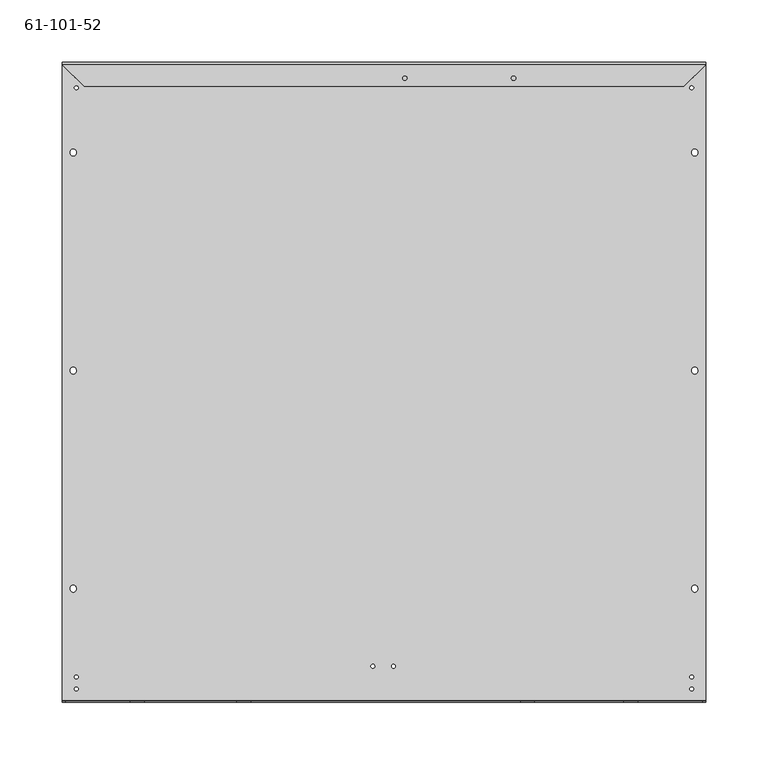
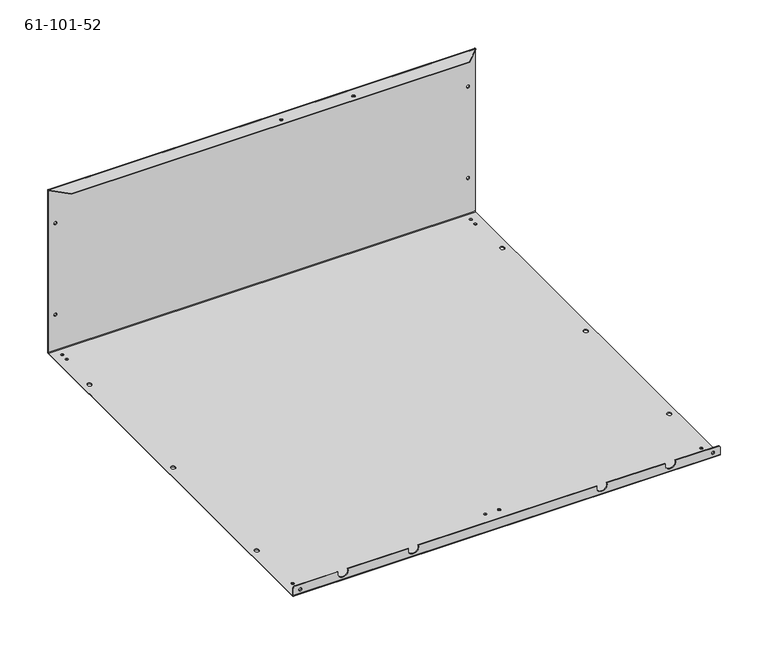
"""IFC4 building model written with IfcOpenShell, lengths in millimetres: proxy geometry, 61-101-52."""

from ifc_helpers import new_model, si_unit, frame, origin, place, context, project, spatial, polyline, circle_curve, source, transform, mapped, element, save
from ifc_brep_helpers import plane_surface, cylinder_surface, revolved_surface, advanced_brep


def proxy_61_101_52_6b01e763(model_context):
    return source(origin(), model_context, "Body", "AdvancedBrep", [
        advanced_brep(
        [(137.4521, 7.8994873, 200.025), (137.4521, 8.7529273, 200.025), (133.1087, 8.7529273, 200.025), (133.1087, 7.8994873, 200.025), (156.5021, 7.8994873, 200.025), (156.5021, 8.7529273, 200.025), (152.1587, 8.7529273, 200.025), (152.1587, 7.8994873, 200.025), (9.5885, -11.5670727, 0.85344), (9.5885, -11.5670727, 0.0), (12.6365, -11.5670727, 0.0), (12.6365, -11.5670727, 0.85344), (9.5885, -2.0420727, 0.85344), (9.5885, -2.0420727, 0.0), (12.6365, -2.0420727, 0.0), (12.6365, -2.0420727, 0.85344), (502.5136, -2.0471527, 0.85344), (502.5136, -2.0471527, 0.0), (505.5616, -2.0471527, 0.0), (505.5616, -2.0471527, 0.85344), (502.5136, -11.5721527, 0.85344), (502.5136, -11.5721527, 0.0), (505.5616, -11.5721527, 0.0), (505.5616, -11.5721527, 0.85344), (508.2159, 7.8994873, 163.63442), (508.2159, 8.7529273, 163.63442), (504.7869, 8.7529273, 163.63442), (504.7869, 7.8994873, 163.63442), (10.38606, 7.8994873, 46.7603532), (10.38606, 8.7529273, 46.7603532), (6.95706, 8.7529273, 46.7603532), (6.95706, 7.8994873, 46.7603532), (10.38606, 7.8994873, 163.6329268), (10.38606, 8.7529273, 163.6329268), (6.95706, 8.7529273, 163.6329268), (6.95706, 7.8994873, 163.6329268), (508.2159, 7.8994873, 46.76648), (508.2159, 8.7529273, 46.76648), (504.7869, 8.7529273, 46.76648), (504.7869, 7.8994873, 46.76648), (422.9847068, 7.8994873, 200.025), (422.9847068, 8.7529273, 200.025), (418.6413068, 8.7529273, 200.025), (418.6413068, 7.8994873, 200.025), (442.0347068, 7.8994873, 200.025), (442.0347068, 8.7529273, 200.025), (437.6913068, 8.7529273, 200.025), (437.6913068, 7.8994873, 200.025), (508.2159, -503.0172327, 6.45668), (508.2159, -503.8706727, 6.45668), (504.7869, -503.8706727, 6.45668), (504.7869, -503.0172327, 6.45668), (363.0803, -3.8454727, 208.69656), (363.0803, -3.8454727, 209.55), (359.6513, -3.8454727, 209.55), (359.6513, -3.8454727, 208.69656), (276.0345, -3.8454727, 208.69656), (276.0345, -3.8454727, 209.55), (272.6055, -3.8454727, 209.55), (272.6055, -3.8454727, 208.69656), (247.1288, -474.8587927, 0.85344), (247.1288, -474.8587927, 0.0), (248.7075285, -473.3357757, 0.0), (250.1768, -474.8587927, 0.0), (250.1768, -474.8587927, 0.85344), (248.7075285, -473.3357757, 0.85344), (263.6388, -474.870677, 0.85344), (263.6388, -474.870677, 0.0), (265.2224223, -473.3478438, 0.0), (266.6868, -474.870677, 0.0), (266.6868, -474.870677, 0.85344), (265.2224223, -473.3478438, 0.85344), (10.3759, -503.0172327, 6.4516), (10.3759, -503.8706727, 6.4516), (6.9469, -503.8706727, 6.4516), (6.9469, -503.0172327, 6.4516), (9.5885, -493.0756727, 0.85344), (9.5885, -493.0756727, 0.0), (12.6365, -493.0756727, 0.0), (12.6365, -493.0756727, 0.85344), (502.5136, -483.5506727, 0.85344), (502.5136, -483.5506727, 0.0), (505.5616, -483.5506727, 0.0), (505.5616, -483.5506727, 0.85344), (9.5885, -483.5506727, 0.85344), (9.5885, -483.5506727, 0.0), (12.6365, -483.5506727, 0.0), (12.6365, -483.5506727, 0.85344), (502.5136, -493.0756727, 0.85344), (502.5136, -493.0756727, 0.0), (505.5616, -493.0756727, 0.0), (505.5616, -493.0756727, 0.85344), (515.1628, 7.0460473, 0.0), (515.1628, -502.1637927, 0.0), (0.0, -502.1637927, 0.0), (0.0, 7.0460473, 0.0), (6.3280232, -413.0809548, 0.0), (11.0009114, -413.1625204, 0.0), (11.0150968, -412.3498442, 0.0), (6.3422086, -412.2682786, 0.0), (6.3422086, -62.960305, 0.0), (6.3280232, -63.7729812, 0.0), (11.0009114, -63.8545468, 0.0), (11.0150968, -63.0418706, 0.0), (504.1477032, -238.426968, 0.0), (508.8205914, -238.5085336, 0.0), (508.8347768, -237.6958574, 0.0), (504.1618886, -237.6142918, 0.0), (508.8205914, -413.1625204, 0.0), (508.8347768, -412.3498442, 0.0), (504.1618886, -412.2682786, 0.0), (504.1477032, -413.0809548, 0.0), (6.3280232, -238.426968, 0.0), (11.0009114, -238.5085336, 0.0), (11.0150968, -237.6958574, 0.0), (6.3422086, -237.6142918, 0.0), (508.8205914, -63.8545468, 0.0), (508.8347768, -63.0418706, 0.0), (504.1618886, -62.960305, 0.0), (504.1477032, -63.7729812, 0.0), (515.1628, -502.1637927, 0.85344), (515.1628, 7.0460473, 0.85344), (0.0, 7.0460473, 0.85344), (0.0, -502.1637927, 0.85344), (11.0009114, -413.1625204, 0.85344), (6.3280232, -413.0809548, 0.85344), (6.3422086, -412.2682786, 0.85344), (11.0150968, -412.3498442, 0.85344), (6.3280232, -63.7729812, 0.85344), (6.3422086, -62.960305, 0.85344), (11.0150968, -63.0418706, 0.85344), (11.0009114, -63.8545468, 0.85344), (508.8205914, -238.5085336, 0.85344), (504.1477032, -238.426968, 0.85344), (504.1618886, -237.6142918, 0.85344), (508.8347768, -237.6958574, 0.85344), (508.8347768, -412.3498442, 0.85344), (508.8205914, -413.1625204, 0.85344), (504.1477032, -413.0809548, 0.85344), (504.1618886, -412.2682786, 0.85344), (11.0009114, -238.5085336, 0.85344), (6.3280232, -238.426968, 0.85344), (6.3422086, -237.6142918, 0.85344), (11.0150968, -237.6958574, 0.85344), (508.8347768, -63.0418706, 0.85344), (508.8205914, -63.8545468, 0.85344), (504.1477032, -63.7729812, 0.85344), (504.1618886, -62.960305, 0.85344), (151.0751663, -503.8706727, 12.7), (151.0751663, -503.0172327, 12.7), (139.0848337, -503.0172327, 12.7), (139.0848337, -503.8706727, 12.7), (65.9951663, -503.8706727, 12.7), (65.9951663, -503.0172327, 12.7), (54.0048337, -503.0172327, 12.7), (54.0048337, -503.8706727, 12.7), (378.5151663, -503.8706727, 12.7), (378.5151663, -503.0172327, 12.7), (366.5248337, -503.0172327, 12.7), (366.5248337, -503.8706727, 12.7), (449.0748337, -503.0172327, 12.7), (449.0748337, -503.8706727, 12.7), (461.0651663, -503.8706727, 12.7), (461.0651663, -503.0172327, 12.7), (2.54, -503.8706727, 12.7), (0.0, -503.8706727, 10.16), (0.0, -503.8706727, 1.70688), (515.1628, -503.8706727, 1.70688), (515.1628, -503.8706727, 10.16), (512.6228, -503.8706727, 12.7), (512.6228, -503.0172327, 12.7), (2.54, -503.0172327, 12.7), (0.0, -503.0172327, 10.16), (515.1628, -503.0172327, 10.16), (0.0, -503.0172327, 1.70688), (515.1628, -503.0172327, 1.70688), (515.1628, 7.0460473, 209.55), (497.81968, -10.2970727, 209.55), (497.81968, -10.2970727, 208.69656), (515.1628, 7.0460473, 208.69656), (17.34312, -10.2970727, 208.69656), (0.0, 7.0460473, 208.69656), (0.0, 7.0460473, 209.55), (17.34312, -10.2970727, 209.55), (515.1628, 8.7529273, 1.70688), (515.1628, 8.7529273, 207.84312), (515.1628, 7.8994873, 207.84312), (515.1628, 7.8994873, 1.70688), (0.0, 7.8994873, 207.84312), (0.0, 8.7529273, 207.84312), (0.0, 8.7529273, 1.70688), (0.0, 7.8994873, 1.70688)],
        [
            (0, 1),
            (1, 2, circle_curve(frame((135.2804, 8.7529273, 200.025), z_axis=(0.0, 1.0, 0.0), x_axis=(1.0, 0.0, 0.0)), 2.1717)),
            (2, 3),
            (3, 0, circle_curve(frame((135.2804, 7.8994873, 200.025), z_axis=(0.0, -1.0, 0.0), x_axis=(1.0, 0.0, 0.0)), 2.1717)),
            (4, 5),
            (5, 6, circle_curve(frame((154.3304, 8.7529273, 200.025), z_axis=(0.0, 1.0, 0.0), x_axis=(1.0, 0.0, 0.0)), 2.1717)),
            (6, 7),
            (7, 4, circle_curve(frame((154.3304, 7.8994873, 200.025), z_axis=(0.0, -1.0, 0.0), x_axis=(1.0, 0.0, 0.0)), 2.1717)),
            (8, 9),
            (9, 10, circle_curve(frame((11.1125, -11.5670727, 0.0), z_axis=(0.0, 0.0, -1.0), x_axis=(-1.0, 0.0, 0.0)), 1.524)),
            (10, 11),
            (11, 8, circle_curve(frame((11.1125, -11.5670727, 0.85344), z_axis=(0.0, 0.0, 1.0), x_axis=(-1.0, 0.0, 0.0)), 1.524)),
            (12, 13),
            (13, 14, circle_curve(frame((11.1125, -2.0420727, 0.0), z_axis=(0.0, 0.0, -1.0), x_axis=(-1.0, 0.0, 0.0)), 1.524)),
            (14, 15),
            (15, 12, circle_curve(frame((11.1125, -2.0420727, 0.85344), z_axis=(0.0, 0.0, 1.0), x_axis=(-1.0, 0.0, 0.0)), 1.524)),
            (16, 17),
            (17, 18, circle_curve(frame((504.0376, -2.0471527, 0.0), z_axis=(0.0, 0.0, -1.0), x_axis=(-1.0, 0.0, 0.0)), 1.524)),
            (18, 19),
            (19, 16, circle_curve(frame((504.0376, -2.0471527, 0.85344), z_axis=(0.0, 0.0, 1.0), x_axis=(-1.0, 0.0, 0.0)), 1.524)),
            (20, 21),
            (21, 22, circle_curve(frame((504.0376, -11.5721527, 0.0), z_axis=(0.0, 0.0, -1.0), x_axis=(-1.0, 0.0, 0.0)), 1.524)),
            (22, 23),
            (23, 20, circle_curve(frame((504.0376, -11.5721527, 0.85344), z_axis=(0.0, 0.0, 1.0), x_axis=(-1.0, 0.0, 0.0)), 1.524)),
            (24, 25),
            (25, 26, circle_curve(frame((506.5014, 8.7529273, 163.63442), z_axis=(0.0, 1.0, 0.0), x_axis=(1.0, 0.0, 0.0)), 1.7145)),
            (26, 27),
            (27, 24, circle_curve(frame((506.5014, 7.8994873, 163.63442), z_axis=(0.0, -1.0, 0.0), x_axis=(1.0, 0.0, 0.0)), 1.7145)),
            (28, 29),
            (29, 30, circle_curve(frame((8.67156, 8.7529273, 46.7603532), z_axis=(0.0, 1.0, 0.0), x_axis=(1.0, 0.0, 0.0)), 1.7145)),
            (30, 31),
            (31, 28, circle_curve(frame((8.67156, 7.8994873, 46.7603532), z_axis=(0.0, -1.0, 0.0), x_axis=(1.0, 0.0, 0.0)), 1.7145)),
            (32, 33),
            (33, 34, circle_curve(frame((8.67156, 8.7529273, 163.6329268), z_axis=(0.0, 1.0, 0.0), x_axis=(1.0, 0.0, 0.0)), 1.7145)),
            (34, 35),
            (35, 32, circle_curve(frame((8.67156, 7.8994873, 163.6329268), z_axis=(0.0, -1.0, 0.0), x_axis=(1.0, 0.0, 0.0)), 1.7145)),
            (36, 37),
            (37, 38, circle_curve(frame((506.5014, 8.7529273, 46.76648), z_axis=(0.0, 1.0, 0.0), x_axis=(1.0, 0.0, 0.0)), 1.7145)),
            (38, 39),
            (39, 36, circle_curve(frame((506.5014, 7.8994873, 46.76648), z_axis=(0.0, -1.0, 0.0), x_axis=(1.0, 0.0, 0.0)), 1.7145)),
            (40, 41),
            (41, 42, circle_curve(frame((420.8130068, 8.7529273, 200.025), z_axis=(0.0, 1.0, 0.0), x_axis=(1.0, 0.0, 0.0)), 2.1717)),
            (42, 43),
            (43, 40, circle_curve(frame((420.8130068, 7.8994873, 200.025), z_axis=(0.0, -1.0, 0.0), x_axis=(1.0, 0.0, 0.0)), 2.1717)),
            (44, 45),
            (45, 46, circle_curve(frame((439.8630068, 8.7529273, 200.025), z_axis=(0.0, 1.0, 0.0), x_axis=(1.0, 0.0, 0.0)), 2.1717)),
            (46, 47),
            (47, 44, circle_curve(frame((439.8630068, 7.8994873, 200.025), z_axis=(0.0, -1.0, 0.0), x_axis=(1.0, 0.0, 0.0)), 2.1717)),
            (48, 49),
            (49, 50, circle_curve(frame((506.5014, -503.8706727, 6.45668), z_axis=(0.0, -1.0, 0.0), x_axis=(1.0, 0.0, 0.0)), 1.7145)),
            (50, 51),
            (51, 48, circle_curve(frame((506.5014, -503.0172327, 6.45668), z_axis=(0.0, 1.0, 0.0), x_axis=(1.0, 0.0, 0.0)), 1.7145)),
            (52, 53),
            (53, 54, circle_curve(frame((361.3658, -3.8454727, 209.55), z_axis=(0.0, 0.0, 1.0), x_axis=(1.0, 0.0, 0.0)), 1.7145)),
            (54, 55),
            (55, 52, circle_curve(frame((361.3658, -3.8454727, 208.69656), z_axis=(0.0, 0.0, -1.0), x_axis=(1.0, 0.0, 0.0)), 1.7145)),
            (56, 57),
            (57, 58, circle_curve(frame((274.32, -3.8454727, 209.55), z_axis=(0.0, 0.0, 1.0), x_axis=(1.0, 0.0, 0.0)), 1.7145)),
            (58, 59),
            (59, 56, circle_curve(frame((274.32, -3.8454727, 208.69656), z_axis=(0.0, 0.0, -1.0), x_axis=(1.0, 0.0, 0.0)), 1.7145)),
            (60, 61),
            (61, 62, circle_curve(frame((248.6528, -474.8587927, 0.0), z_axis=(0.0, 0.0, -1.0), x_axis=(-1.0, 0.0, 0.0)), 1.524)),
            (62, 63, circle_curve(frame((248.6528, -474.8587927, 0.0), z_axis=(0.0, 0.0, -1.0), x_axis=(-1.0, 0.0, 0.0)), 1.524)),
            (63, 64),
            (64, 65, circle_curve(frame((248.6528, -474.8587927, 0.85344), z_axis=(0.0, 0.0, 1.0), x_axis=(-1.0, 0.0, 0.0)), 1.524)),
            (65, 60, circle_curve(frame((248.6528, -474.8587927, 0.85344), z_axis=(0.0, 0.0, 1.0), x_axis=(-1.0, 0.0, 0.0)), 1.524)),
            (66, 67),
            (67, 68, circle_curve(frame((265.1628, -474.870677, 0.0), z_axis=(0.0, 0.0, -1.0), x_axis=(-1.0, 0.0, 0.0)), 1.524)),
            (68, 69, circle_curve(frame((265.1628, -474.870677, 0.0), z_axis=(0.0, 0.0, -1.0), x_axis=(-1.0, 0.0, 0.0)), 1.524)),
            (69, 70),
            (70, 71, circle_curve(frame((265.1628, -474.870677, 0.85344), z_axis=(0.0, 0.0, 1.0), x_axis=(-1.0, 0.0, 0.0)), 1.524)),
            (71, 66, circle_curve(frame((265.1628, -474.870677, 0.85344), z_axis=(0.0, 0.0, 1.0), x_axis=(-1.0, 0.0, 0.0)), 1.524)),
            (72, 73),
            (73, 74, circle_curve(frame((8.6614, -503.8706727, 6.4516), z_axis=(0.0, -1.0, 0.0), x_axis=(1.0, 0.0, 0.0)), 1.7145)),
            (74, 75),
            (75, 72, circle_curve(frame((8.6614, -503.0172327, 6.4516), z_axis=(0.0, 1.0, 0.0), x_axis=(1.0, 0.0, 0.0)), 1.7145)),
            (76, 77),
            (77, 78, circle_curve(frame((11.1125, -493.0756727, 0.0), z_axis=(0.0, 0.0, -1.0), x_axis=(-1.0, 0.0, 0.0)), 1.524)),
            (78, 79),
            (79, 76, circle_curve(frame((11.1125, -493.0756727, 0.85344), z_axis=(0.0, 0.0, 1.0), x_axis=(-1.0, 0.0, 0.0)), 1.524)),
            (80, 81),
            (81, 82, circle_curve(frame((504.0376, -483.5506727, 0.0), z_axis=(0.0, 0.0, -1.0), x_axis=(-1.0, 0.0, 0.0)), 1.524)),
            (82, 83),
            (83, 80, circle_curve(frame((504.0376, -483.5506727, 0.85344), z_axis=(0.0, 0.0, 1.0), x_axis=(-1.0, 0.0, 0.0)), 1.524)),
            (84, 85),
            (85, 86, circle_curve(frame((11.1125, -483.5506727, 0.0), z_axis=(0.0, 0.0, -1.0), x_axis=(-1.0, 0.0, 0.0)), 1.524)),
            (86, 87),
            (87, 84, circle_curve(frame((11.1125, -483.5506727, 0.85344), z_axis=(0.0, 0.0, 1.0), x_axis=(-1.0, 0.0, 0.0)), 1.524)),
            (88, 89),
            (89, 90, circle_curve(frame((504.0376, -493.0756727, 0.0), z_axis=(0.0, 0.0, -1.0), x_axis=(-1.0, 0.0, 0.0)), 1.524)),
            (90, 91),
            (91, 88, circle_curve(frame((504.0376, -493.0756727, 0.85344), z_axis=(0.0, 0.0, 1.0), x_axis=(-1.0, 0.0, 0.0)), 1.524)),
            (92, 93),
            (93, 94),
            (94, 95),
            (95, 92),
            (61, 63, circle_curve(frame((248.6528, -474.8587927, 0.0), z_axis=(0.0, 0.0, 1.0), x_axis=(-1.0, 0.0, 0.0)), 1.524)),
            (67, 69, circle_curve(frame((265.1628, -474.870677, 0.0), z_axis=(0.0, 0.0, 1.0), x_axis=(-1.0, 0.0, 0.0)), 1.524)),
            (89, 90, circle_curve(frame((504.0376, -493.0756727, 0.0), z_axis=(0.0, 0.0, 1.0), x_axis=(-1.0, 0.0, 0.0)), 1.524)),
            (85, 86, circle_curve(frame((11.1125, -483.5506727, 0.0), z_axis=(0.0, 0.0, 1.0), x_axis=(-1.0, 0.0, 0.0)), 1.524)),
            (81, 82, circle_curve(frame((504.0376, -483.5506727, 0.0), z_axis=(0.0, 0.0, 1.0), x_axis=(-1.0, 0.0, 0.0)), 1.524)),
            (77, 78, circle_curve(frame((11.1125, -493.0756727, 0.0), z_axis=(0.0, 0.0, 1.0), x_axis=(-1.0, 0.0, 0.0)), 1.524)),
            (96, 97, circle_curve(frame((8.6644673, -413.1217376, 0.0), z_axis=(0.0, 0.0, 1.0), x_axis=(0.9998476951563917, -0.01745240643725925, 0.0)), 2.3368)),
            (97, 98),
            (98, 99, circle_curve(frame((8.6786527, -412.3090614, 0.0), z_axis=(0.0, 0.0, 1.0), x_axis=(-0.9998476951563917, 0.01745240643725925, 0.0)), 2.3368)),
            (99, 96),
            (100, 101),
            (101, 102, circle_curve(frame((8.6644673, -63.813764, 0.0), z_axis=(0.0, 0.0, 1.0), x_axis=(0.9998476951563916, -0.017452406437266848, 0.0)), 2.3368)),
            (102, 103),
            (103, 100, circle_curve(frame((8.6786527, -63.0010878, 0.0), z_axis=(0.0, 0.0, 1.0), x_axis=(-0.9998476951563916, 0.017452406437266848, 0.0)), 2.3368)),
            (104, 105, circle_curve(frame((506.4841473, -238.4677508, 0.0), z_axis=(0.0, 0.0, 1.0), x_axis=(0.9998476951563915, -0.017452406437274644, 0.0)), 2.3368)),
            (105, 106),
            (106, 107, circle_curve(frame((506.4983327, -237.6550746, 0.0), z_axis=(0.0, 0.0, 1.0), x_axis=(-0.9998476951563917, 0.017452406437259444, 0.0)), 2.3368)),
            (107, 104),
            (108, 109),
            (109, 110, circle_curve(frame((506.4983327, -412.3090614, 0.0), z_axis=(0.0, 0.0, 1.0), x_axis=(-0.9998476951563917, 0.017452406437259444, 0.0)), 2.3368)),
            (110, 111),
            (111, 108, circle_curve(frame((506.4841473, -413.1217376, 0.0), z_axis=(0.0, 0.0, 1.0), x_axis=(0.9998476951563912, -0.017452406437289843, 0.0)), 2.3368)),
            (112, 113, circle_curve(frame((8.6644673, -238.4677508, 0.0), z_axis=(0.0, 0.0, 1.0), x_axis=(0.9998476951563915, -0.017452406437274446, 0.0)), 2.3368)),
            (113, 114),
            (114, 115, circle_curve(frame((8.6786527, -237.6550746, 0.0), z_axis=(0.0, 0.0, 1.0), x_axis=(-0.9998476951563917, 0.01745240643725925, 0.0)), 2.3368)),
            (115, 112),
            (116, 117),
            (117, 118, circle_curve(frame((506.4983327, -63.0010878, 0.0), z_axis=(0.0, 0.0, 1.0), x_axis=(-0.9998476951563916, 0.017452406437267046, 0.0)), 2.3368)),
            (118, 119),
            (119, 116, circle_curve(frame((506.4841473, -63.813764, 0.0), z_axis=(0.0, 0.0, 1.0), x_axis=(0.9998476951563916, -0.017452406437267046, 0.0)), 2.3368)),
            (21, 22, circle_curve(frame((504.0376, -11.5721527, 0.0), z_axis=(0.0, 0.0, 1.0), x_axis=(-1.0, 0.0, 0.0)), 1.524)),
            (17, 18, circle_curve(frame((504.0376, -2.0471527, 0.0), z_axis=(0.0, 0.0, 1.0), x_axis=(-1.0, 0.0, 0.0)), 1.524)),
            (13, 14, circle_curve(frame((11.1125, -2.0420727, 0.0), z_axis=(0.0, 0.0, 1.0), x_axis=(-1.0, 0.0, 0.0)), 1.524)),
            (9, 10, circle_curve(frame((11.1125, -11.5670727, 0.0), z_axis=(0.0, 0.0, 1.0), x_axis=(-1.0, 0.0, 0.0)), 1.524)),
            (120, 121),
            (121, 122),
            (122, 123),
            (123, 120),
            (11, 8, circle_curve(frame((11.1125, -11.5670727, 0.85344), z_axis=(0.0, 0.0, -1.0), x_axis=(-1.0, 0.0, 0.0)), 1.524)),
            (15, 12, circle_curve(frame((11.1125, -2.0420727, 0.85344), z_axis=(0.0, 0.0, -1.0), x_axis=(-1.0, 0.0, 0.0)), 1.524)),
            (19, 16, circle_curve(frame((504.0376, -2.0471527, 0.85344), z_axis=(0.0, 0.0, -1.0), x_axis=(-1.0, 0.0, 0.0)), 1.524)),
            (23, 20, circle_curve(frame((504.0376, -11.5721527, 0.85344), z_axis=(0.0, 0.0, -1.0), x_axis=(-1.0, 0.0, 0.0)), 1.524)),
            (64, 60, circle_curve(frame((248.6528, -474.8587927, 0.85344), z_axis=(0.0, 0.0, -1.0), x_axis=(-1.0, 0.0, 0.0)), 1.524)),
            (70, 66, circle_curve(frame((265.1628, -474.870677, 0.85344), z_axis=(0.0, 0.0, -1.0), x_axis=(-1.0, 0.0, 0.0)), 1.524)),
            (91, 88, circle_curve(frame((504.0376, -493.0756727, 0.85344), z_axis=(0.0, 0.0, -1.0), x_axis=(-1.0, 0.0, 0.0)), 1.524)),
            (87, 84, circle_curve(frame((11.1125, -483.5506727, 0.85344), z_axis=(0.0, 0.0, -1.0), x_axis=(-1.0, 0.0, 0.0)), 1.524)),
            (83, 80, circle_curve(frame((504.0376, -483.5506727, 0.85344), z_axis=(0.0, 0.0, -1.0), x_axis=(-1.0, 0.0, 0.0)), 1.524)),
            (79, 76, circle_curve(frame((11.1125, -493.0756727, 0.85344), z_axis=(0.0, 0.0, -1.0), x_axis=(-1.0, 0.0, 0.0)), 1.524)),
            (124, 125, circle_curve(frame((8.6644673, -413.1217376, 0.85344), z_axis=(0.0, 0.0, -1.0), x_axis=(0.9998476951563917, -0.01745240643725925, 0.0)), 2.3368)),
            (125, 126),
            (126, 127, circle_curve(frame((8.6786527, -412.3090614, 0.85344), z_axis=(0.0, 0.0, -1.0), x_axis=(-0.9998476951563917, 0.01745240643725925, 0.0)), 2.3368)),
            (127, 124),
            (128, 129),
            (129, 130, circle_curve(frame((8.6786527, -63.0010878, 0.85344), z_axis=(0.0, 0.0, -1.0), x_axis=(-0.9998476951563916, 0.017452406437266848, 0.0)), 2.3368)),
            (130, 131),
            (131, 128, circle_curve(frame((8.6644673, -63.813764, 0.85344), z_axis=(0.0, 0.0, -1.0), x_axis=(0.9998476951563916, -0.017452406437266848, 0.0)), 2.3368)),
            (132, 133, circle_curve(frame((506.4841473, -238.4677508, 0.85344), z_axis=(0.0, 0.0, -1.0), x_axis=(0.9998476951563915, -0.017452406437274644, 0.0)), 2.3368)),
            (133, 134),
            (134, 135, circle_curve(frame((506.4983327, -237.6550746, 0.85344), z_axis=(0.0, 0.0, -1.0), x_axis=(-0.9998476951563917, 0.017452406437259444, 0.0)), 2.3368)),
            (135, 132),
            (136, 137),
            (137, 138, circle_curve(frame((506.4841473, -413.1217376, 0.85344), z_axis=(0.0, 0.0, -1.0), x_axis=(0.9998476951563912, -0.017452406437289843, 0.0)), 2.3368)),
            (138, 139),
            (139, 136, circle_curve(frame((506.4983327, -412.3090614, 0.85344), z_axis=(0.0, 0.0, -1.0), x_axis=(-0.9998476951563917, 0.017452406437259444, 0.0)), 2.3368)),
            (140, 141, circle_curve(frame((8.6644673, -238.4677508, 0.85344), z_axis=(0.0, 0.0, -1.0), x_axis=(0.9998476951563915, -0.017452406437274446, 0.0)), 2.3368)),
            (141, 142),
            (142, 143, circle_curve(frame((8.6786527, -237.6550746, 0.85344), z_axis=(0.0, 0.0, -1.0), x_axis=(-0.9998476951563917, 0.01745240643725925, 0.0)), 2.3368)),
            (143, 140),
            (144, 145),
            (145, 146, circle_curve(frame((506.4841473, -63.813764, 0.85344), z_axis=(0.0, 0.0, -1.0), x_axis=(0.9998476951563916, -0.017452406437267046, 0.0)), 2.3368)),
            (146, 147),
            (147, 144, circle_curve(frame((506.4983327, -63.0010878, 0.85344), z_axis=(0.0, 0.0, -1.0), x_axis=(-0.9998476951563916, 0.017452406437267046, 0.0)), 2.3368)),
            (148, 149),
            (149, 150, circle_curve(frame((145.08, -503.0172327, 10.60704), z_axis=(0.0, 1.0, 0.0), x_axis=(0.0, 0.0, -1.0)), 6.35)),
            (150, 151),
            (151, 148, circle_curve(frame((145.08, -503.8706727, 10.60704), z_axis=(0.0, -1.0, 0.0), x_axis=(0.0, 0.0, -1.0)), 6.35)),
            (152, 153),
            (153, 154, circle_curve(frame((60.0, -503.0172327, 10.60704), z_axis=(0.0, 1.0, 0.0), x_axis=(0.0, 0.0, -1.0)), 6.35)),
            (154, 155),
            (155, 152, circle_curve(frame((60.0, -503.8706727, 10.60704), z_axis=(0.0, -1.0, 0.0), x_axis=(0.0, 0.0, -1.0)), 6.35)),
            (156, 157),
            (157, 158, circle_curve(frame((372.52, -503.0172327, 10.60704), z_axis=(0.0, 1.0, 0.0), x_axis=(0.0, 0.0, -1.0)), 6.35)),
            (158, 159),
            (159, 156, circle_curve(frame((372.52, -503.8706727, 10.60704), z_axis=(0.0, -1.0, 0.0), x_axis=(0.0, 0.0, -1.0)), 6.35)),
            (160, 161),
            (161, 162, circle_curve(frame((455.07, -503.8706727, 10.60704), z_axis=(0.0, -1.0, 0.0), x_axis=(0.0, 0.0, -1.0)), 6.35)),
            (162, 163),
            (163, 160, circle_curve(frame((455.07, -503.0172327, 10.60704), z_axis=(0.0, 1.0, 0.0), x_axis=(0.0, 0.0, -1.0)), 6.35)),
            (151, 152),
            (155, 164),
            (164, 165, circle_curve(frame((2.54, -503.8706727, 10.16), z_axis=(0.0, -1.0, 0.0), x_axis=(-0.7071067811865444, 0.0, 0.7071067811865506)), 2.54)),
            (165, 166),
            (166, 167),
            (167, 168),
            (168, 169, circle_curve(frame((512.6228, -503.8706727, 10.16), z_axis=(0.0, -1.0, 0.0), x_axis=(0.7071067811865543, 0.0, 0.7071067811865408)), 2.54)),
            (169, 162),
            (161, 156),
            (159, 148),
            (49, 50, circle_curve(frame((506.5014, -503.8706727, 6.45668), z_axis=(0.0, 1.0, 0.0), x_axis=(1.0, 0.0, 0.0)), 1.7145)),
            (73, 74, circle_curve(frame((8.6614, -503.8706727, 6.4516), z_axis=(0.0, 1.0, 0.0), x_axis=(1.0, 0.0, 0.0)), 1.7145)),
            (169, 170),
            (170, 163),
            (160, 157),
            (154, 171),
            (171, 164),
            (150, 153),
            (72, 75, circle_curve(frame((8.6614, -503.0172327, 6.4516), z_axis=(0.0, 1.0, 0.0), x_axis=(1.0, 0.0, 0.0)), 1.7145)),
            (171, 172, circle_curve(frame((2.54, -503.0172327, 10.16), z_axis=(0.0, -1.0, 0.0), x_axis=(-0.7071067811865444, 0.0, 0.7071067811865506)), 2.54)),
            (172, 165),
            (158, 149),
            (168, 173),
            (173, 170, circle_curve(frame((512.6228, -503.0172327, 10.16), z_axis=(0.0, -1.0, 0.0), x_axis=(0.7071067811865543, 0.0, 0.7071067811865408)), 2.54)),
            (172, 174),
            (174, 166),
            (173, 175),
            (175, 174),
            (51, 48, circle_curve(frame((506.5014, -503.0172327, 6.45668), z_axis=(0.0, -1.0, 0.0), x_axis=(1.0, 0.0, 0.0)), 1.7145)),
            (124, 97),
            (96, 125),
            (99, 126),
            (98, 127),
            (128, 101),
            (100, 129),
            (131, 102),
            (130, 103),
            (132, 105),
            (104, 133),
            (107, 134),
            (106, 135),
            (136, 109),
            (108, 137),
            (139, 110),
            (138, 111),
            (140, 113),
            (112, 141),
            (115, 142),
            (114, 143),
            (144, 117),
            (116, 145),
            (147, 118),
            (146, 119),
            (56, 59, circle_curve(frame((274.32, -3.8454727, 208.69656), z_axis=(0.0, 0.0, -1.0), x_axis=(1.0, 0.0, 0.0)), 1.7145)),
            (58, 57, circle_curve(frame((274.32, -3.8454727, 209.55), z_axis=(0.0, 0.0, 1.0), x_axis=(1.0, 0.0, 0.0)), 1.7145)),
            (52, 55, circle_curve(frame((361.3658, -3.8454727, 208.69656), z_axis=(0.0, 0.0, -1.0), x_axis=(1.0, 0.0, 0.0)), 1.7145)),
            (54, 53, circle_curve(frame((361.3658, -3.8454727, 209.55), z_axis=(0.0, 0.0, 1.0), x_axis=(1.0, 0.0, 0.0)), 1.7145)),
            (44, 47, circle_curve(frame((439.8630068, 7.8994873, 200.025), z_axis=(0.0, -1.0, 0.0), x_axis=(1.0, 0.0, 0.0)), 2.1717)),
            (46, 45, circle_curve(frame((439.8630068, 8.7529273, 200.025), z_axis=(0.0, 1.0, 0.0), x_axis=(1.0, 0.0, 0.0)), 2.1717)),
            (40, 43, circle_curve(frame((420.8130068, 7.8994873, 200.025), z_axis=(0.0, -1.0, 0.0), x_axis=(1.0, 0.0, 0.0)), 2.1717)),
            (42, 41, circle_curve(frame((420.8130068, 8.7529273, 200.025), z_axis=(0.0, 1.0, 0.0), x_axis=(1.0, 0.0, 0.0)), 2.1717)),
            (36, 39, circle_curve(frame((506.5014, 7.8994873, 46.76648), z_axis=(0.0, -1.0, 0.0), x_axis=(1.0, 0.0, 0.0)), 1.7145)),
            (38, 37, circle_curve(frame((506.5014, 8.7529273, 46.76648), z_axis=(0.0, 1.0, 0.0), x_axis=(1.0, 0.0, 0.0)), 1.7145)),
            (32, 35, circle_curve(frame((8.67156, 7.8994873, 163.6329268), z_axis=(0.0, -1.0, 0.0), x_axis=(1.0, 0.0, 0.0)), 1.7145)),
            (34, 33, circle_curve(frame((8.67156, 8.7529273, 163.6329268), z_axis=(0.0, 1.0, 0.0), x_axis=(1.0, 0.0, 0.0)), 1.7145)),
            (28, 31, circle_curve(frame((8.67156, 7.8994873, 46.7603532), z_axis=(0.0, -1.0, 0.0), x_axis=(1.0, 0.0, 0.0)), 1.7145)),
            (30, 29, circle_curve(frame((8.67156, 8.7529273, 46.7603532), z_axis=(0.0, 1.0, 0.0), x_axis=(1.0, 0.0, 0.0)), 1.7145)),
            (24, 27, circle_curve(frame((506.5014, 7.8994873, 163.63442), z_axis=(0.0, -1.0, 0.0), x_axis=(1.0, 0.0, 0.0)), 1.7145)),
            (26, 25, circle_curve(frame((506.5014, 8.7529273, 163.63442), z_axis=(0.0, 1.0, 0.0), x_axis=(1.0, 0.0, 0.0)), 1.7145)),
            (176, 177),
            (177, 178),
            (178, 179),
            (179, 176),
            (178, 180),
            (180, 181),
            (181, 179),
            (176, 182),
            (182, 183),
            (183, 177),
            (167, 93, circle_curve(frame((515.1628, -502.1637927, 1.70688), z_axis=(1.0, 0.0, 0.0), x_axis=(0.0, 0.0, -1.0)), 1.70688)),
            (92, 184, circle_curve(frame((515.1628, 7.0460473, 1.70688), z_axis=(1.0, 0.0, 0.0), x_axis=(0.0, 0.0, -1.0)), 1.70688)),
            (184, 185),
            (185, 176, circle_curve(frame((515.1628, 7.0460473, 207.84312), z_axis=(1.0, 0.0, 0.0), x_axis=(0.0, 1.0, 0.0)), 1.70688)),
            (179, 186, circle_curve(frame((515.1628, 7.0460473, 207.84312), z_axis=(-1.0, 0.0, 0.0), x_axis=(0.0, 1.0, 0.0)), 0.85344)),
            (186, 187),
            (187, 121, circle_curve(frame((515.1628, 7.0460473, 1.70688), z_axis=(-1.0, 0.0, 0.0), x_axis=(0.0, 0.0, -1.0)), 0.85344)),
            (120, 175, circle_curve(frame((515.1628, -502.1637927, 1.70688), z_axis=(-1.0, 0.0, 0.0), x_axis=(0.0, 0.0, -1.0)), 0.85344)),
            (166, 94, circle_curve(frame((0.0, -502.1637927, 1.70688), z_axis=(1.0, 0.0, 0.0), x_axis=(0.0, 0.0, -1.0)), 1.70688)),
            (123, 174, circle_curve(frame((0.0, -502.1637927, 1.70688), z_axis=(-1.0, 0.0, 0.0), x_axis=(0.0, 0.0, -1.0)), 0.85344)),
            (4, 7, circle_curve(frame((154.3304, 7.8994873, 200.025), z_axis=(0.0, -1.0, 0.0), x_axis=(1.0, 0.0, 0.0)), 2.1717)),
            (6, 5, circle_curve(frame((154.3304, 8.7529273, 200.025), z_axis=(0.0, 1.0, 0.0), x_axis=(1.0, 0.0, 0.0)), 2.1717)),
            (0, 3, circle_curve(frame((135.2804, 7.8994873, 200.025), z_axis=(0.0, -1.0, 0.0), x_axis=(1.0, 0.0, 0.0)), 2.1717)),
            (2, 1, circle_curve(frame((135.2804, 8.7529273, 200.025), z_axis=(0.0, 1.0, 0.0), x_axis=(1.0, 0.0, 0.0)), 2.1717)),
            (182, 181),
            (180, 183),
            (181, 188, circle_curve(frame((0.0, 7.0460473, 207.84312), z_axis=(-1.0, 0.0, 0.0), x_axis=(0.0, 1.0, 0.0)), 0.85344)),
            (188, 186),
            (182, 189, circle_curve(frame((0.0, 7.0460473, 207.84312), z_axis=(-1.0, 0.0, 0.0), x_axis=(0.0, 1.0, 0.0)), 1.70688)),
            (189, 188),
            (185, 189),
            (189, 190),
            (190, 191),
            (191, 188),
            (184, 190),
            (187, 191),
            (191, 122, circle_curve(frame((0.0, 7.0460473, 1.70688), z_axis=(-1.0, 0.0, 0.0), x_axis=(0.0, 0.0, -1.0)), 0.85344)),
            (190, 95, circle_curve(frame((0.0, 7.0460473, 1.70688), z_axis=(-1.0, 0.0, 0.0), x_axis=(0.0, 0.0, -1.0)), 1.70688)),
            (95, 122),
            (123, 94),
        ],
        [
            revolved_surface(polyline([(137.45209999999997, 8.7529273, 200.025), (137.45209999999997, 7.8994873, 200.025)]), (135.2804, 8.3262073, 200.025), (0.0, 1.0, 0.0)),
            revolved_surface(polyline([(156.50209999999998, 8.7529273, 200.025), (156.50209999999998, 7.8994873, 200.025)]), (154.3304, 8.3262073, 200.025), (0.0, 1.0, 0.0)),
            revolved_surface(polyline([(9.5885, -11.5670727, 0.0), (9.5885, -11.5670727, 0.85344)]), (11.1125, -11.5670727, 0.42672), (0.0, 0.0, -1.0)),
            revolved_surface(polyline([(9.5885, -2.0420727, 0.0), (9.5885, -2.0420727, 0.85344)]), (11.1125, -2.0420727, 0.42672), (0.0, 0.0, -1.0)),
            revolved_surface(polyline([(502.5136, -2.0471527, 0.0), (502.5136, -2.0471527, 0.85344)]), (504.0376, -2.0471527, 0.42672), (0.0, 0.0, -1.0)),
            revolved_surface(polyline([(502.5136, -11.5721527, 0.0), (502.5136, -11.5721527, 0.85344)]), (504.0376, -11.5721527, 0.42672), (0.0, 0.0, -1.0)),
            revolved_surface(polyline([(508.2159, 8.7529273, 163.63442), (508.2159, 7.8994873, 163.63442)]), (506.5014, 8.3262073, 163.63442), (0.0, 1.0, 0.0)),
            revolved_surface(polyline([(10.386059999999999, 8.7529273, 46.7603532), (10.386059999999999, 7.8994873, 46.7603532)]), (8.67156, 8.3262073, 46.7603532), (0.0, 1.0, 0.0)),
            revolved_surface(polyline([(10.386059999999999, 8.7529273, 163.6329268), (10.386059999999999, 7.8994873, 163.6329268)]), (8.67156, 8.3262073, 163.6329268), (0.0, 1.0, 0.0)),
            revolved_surface(polyline([(508.2159, 8.7529273, 46.76648), (508.2159, 7.8994873, 46.76648)]), (506.5014, 8.3262073, 46.76648), (0.0, 1.0, 0.0)),
            revolved_surface(polyline([(422.98470679999997, 8.7529273, 200.025), (422.98470679999997, 7.8994873, 200.025)]), (420.8130068, 8.3262073, 200.025), (0.0, 1.0, 0.0)),
            revolved_surface(polyline([(442.0347068, 8.7529273, 200.025), (442.0347068, 7.8994873, 200.025)]), (439.8630068, 8.3262073, 200.025), (0.0, 1.0, 0.0)),
            revolved_surface(polyline([(508.2159, -503.8706727, 6.45668), (508.2159, -503.0172327, 6.45668)]), (506.5014, -503.4439527, 6.45668), (0.0, -1.0, 0.0)),
            revolved_surface(polyline([(363.08029999999997, -3.8454727, 209.55), (363.08029999999997, -3.8454727, 208.69656)]), (361.3658, -3.8454727, 209.12328), (0.0, 0.0, 1.0)),
            revolved_surface(polyline([(276.0345, -3.8454727, 209.55), (276.0345, -3.8454727, 208.69656)]), (274.32, -3.8454727, 209.12328), (0.0, 0.0, 1.0)),
            revolved_surface(polyline([(247.1288, -474.8587927, 0.85344), (247.1288, -474.8587927, 0.0)]), (248.6528, -474.8587927, 0.0), (0.0, 0.0, 1.0)),
            revolved_surface(polyline([(263.6388, -474.870677, 0.85344), (263.6388, -474.870677, 0.0)]), (265.1628, -474.870677, 0.0), (0.0, 0.0, 1.0)),
            revolved_surface(polyline([(10.3759, -503.0172327, 6.4516), (10.3759, -503.8706727, 6.4516)]), (8.6614, -503.8706727, 6.4516), (0.0, 1.0, 0.0)),
            revolved_surface(polyline([(9.5885, -493.0756727, 0.85344), (9.5885, -493.0756727, 0.0)]), (11.1125, -493.0756727, 0.0), (0.0, 0.0, 1.0)),
            revolved_surface(polyline([(502.5136, -483.5506727, 0.85344), (502.5136, -483.5506727, 0.0)]), (504.0376, -483.5506727, 0.0), (0.0, 0.0, 1.0)),
            revolved_surface(polyline([(9.5885, -483.5506727, 0.85344), (9.5885, -483.5506727, 0.0)]), (11.1125, -483.5506727, 0.0), (0.0, 0.0, 1.0)),
            revolved_surface(polyline([(502.5136, -493.0756727, 0.85344), (502.5136, -493.0756727, 0.0)]), (504.0376, -493.0756727, 0.0), (0.0, 0.0, 1.0)),
            plane_surface(frame((324.485, -494.3706727, 0.0), z_axis=(0.0, 0.0, -1.0), x_axis=(1.0, 0.0, 0.0))),
            plane_surface(frame((324.485, -494.3706727, 0.85344), z_axis=(0.0, 0.0, 1.0), x_axis=(1.0, 0.0, 0.0))),
            revolved_surface(polyline([(145.08, -503.0172327, 4.25704), (145.08, -503.8706727, 4.25704)]), (145.08, -503.8706727, 10.60704), (0.0, 1.0, 0.0)),
            revolved_surface(polyline([(60.0, -503.0172327, 4.25704), (60.0, -503.8706727, 4.25704)]), (60.0, -503.8706727, 10.60704), (0.0, 1.0, 0.0)),
            revolved_surface(polyline([(372.52, -503.0172327, 4.25704), (372.52, -503.8706727, 4.25704)]), (372.52, -503.8706727, 10.60704), (0.0, 1.0, 0.0)),
            revolved_surface(polyline([(455.07, -503.0172327, 4.25704), (455.07, -503.8706727, 4.25704)]), (455.07, -503.8706727, 10.60704), (0.0, 1.0, 0.0)),
            plane_surface(frame((324.485, -503.8706727, 104.6632221), z_axis=(0.0, -1.0, 0.0), x_axis=(1.0, 0.0, 0.0))),
            plane_surface(frame((532.7244436, -503.8706727, 12.7), z_axis=(0.0, 0.0, 1.0), x_axis=(-1.0, 0.0, 0.0))),
            cylinder_surface(frame((2.54, -503.8706727, 10.16), z_axis=(0.0, 0.9999999999999998, 0.0), x_axis=(-0.7071067811865444, 0.0, 0.7071067811865506)), 2.54),
            cylinder_surface(frame((512.6228, -220.5572934, 10.16), z_axis=(0.0, -1.0000000000000002, 0.0), x_axis=(0.7071067811865543, 0.0, 0.7071067811865408)), 2.54),
            plane_surface(frame((0.0, -503.8706727, 1.70688), z_axis=(-1.0, 0.0, 0.0), x_axis=(0.0, 1.0, 0.0))),
            plane_surface(frame((324.485, -503.0172327, 104.6632221), z_axis=(0.0, 1.0, 0.0), x_axis=(1.0, 0.0, 0.0))),
            revolved_surface(polyline([(11.000911394041456, -413.1625203833626, 0.8534400000000004), (11.000911394041456, -413.1625203833626, 0.0)]), (8.6644673, -413.1217376, 0.0), (0.0, 0.0, 1.0000000000000002)),
            plane_surface(frame((6.3422086, -412.2682786, 0.0), z_axis=(0.9998476951563915, -0.017452406437269044, 0.0), x_axis=(-0.017452406437269044, -0.9998476951563915, 0.0))),
            revolved_surface(polyline([(6.342208605958544, -412.2682786166374, 0.8534400000000004), (6.342208605958544, -412.2682786166374, 0.0)]), (8.6786527, -412.3090614, 0.0), (0.0, 0.0, 1.0000000000000002)),
            plane_surface(frame((11.0009114, -413.1625204, 0.0), z_axis=(-0.9998476951563915, 0.017452406437267764, 0.0), x_axis=(0.017452406437267764, 0.9998476951563915, 0.0))),
            plane_surface(frame((6.3422086, -62.960305, 0.0), z_axis=(0.9998476951563915, -0.017452406437269044, 0.0), x_axis=(-0.017452406437269044, -0.9998476951563915, 0.0))),
            revolved_surface(polyline([(11.000911394041456, -63.85454678336261, 0.8534400000000004), (11.000911394041456, -63.85454678336261, 0.0)]), (8.6644673, -63.813764, 0.0), (0.0, 0.0, 1.0000000000000002)),
            plane_surface(frame((11.0009114, -63.8545468, 0.0), z_axis=(-0.9998476951563915, 0.017452406437267764, 0.0), x_axis=(0.017452406437267764, 0.9998476951563915, 0.0))),
            revolved_surface(polyline([(6.342208605958545, -62.96030501663739, 0.8534400000000004), (6.342208605958545, -62.96030501663739, 0.0)]), (8.6786527, -63.0010878, 0.0), (0.0, 0.0, 1.0000000000000002)),
            revolved_surface(polyline([(508.82059139404146, -238.50853358336263, 0.8534400000000004), (508.82059139404146, -238.50853358336263, 0.0)]), (506.4841473, -238.4677508, 0.0), (0.0, 0.0, 1.0000000000000002)),
            plane_surface(frame((504.1618886, -237.6142918, 0.0), z_axis=(0.9998476951563917, -0.01745240643725812, 0.0), x_axis=(-0.01745240643725812, -0.9998476951563917, 0.0))),
            revolved_surface(polyline([(504.16188860595855, -237.6142918166374, 0.8534400000000004), (504.16188860595855, -237.6142918166374, 0.0)]), (506.4983327, -237.6550746, 0.0), (0.0, 0.0, 1.0000000000000002)),
            plane_surface(frame((508.8205914, -238.5085336, 0.0), z_axis=(-0.9998476951563905, 0.017452406437333305, 0.0), x_axis=(0.017452406437333305, 0.9998476951563905, 0.0))),
            plane_surface(frame((508.8205914, -413.1625204, 0.0), z_axis=(-0.9998476951563905, 0.017452406437333305, 0.0), x_axis=(0.017452406437333305, 0.9998476951563905, 0.0))),
            revolved_surface(polyline([(504.16188860595855, -412.2682786166374, 0.8534400000000004), (504.16188860595855, -412.2682786166374, 0.0)]), (506.4983327, -412.3090614, 0.0), (0.0, 0.0, 1.0000000000000002)),
            plane_surface(frame((504.1618886, -412.2682786, 0.0), z_axis=(0.9998476951563917, -0.01745240643725812, 0.0), x_axis=(-0.01745240643725812, -0.9998476951563917, 0.0))),
            revolved_surface(polyline([(508.82059139404146, -413.1625203833627, 0.85344), (508.82059139404146, -413.1625203833627, 0.0)]), (506.4841473, -413.1217376, 0.0), (0.0, 0.0, 1.0)),
            revolved_surface(polyline([(11.000911394041456, -238.50853358336263, 0.8534400000000004), (11.000911394041456, -238.50853358336263, 0.0)]), (8.6644673, -238.4677508, 0.0), (0.0, 0.0, 1.0000000000000002)),
            plane_surface(frame((6.3422086, -237.6142918, 0.0), z_axis=(0.9998476951563915, -0.017452406437269044, 0.0), x_axis=(-0.017452406437269044, -0.9998476951563915, 0.0))),
            revolved_surface(polyline([(6.342208605958544, -237.6142918166374, 0.8534400000000004), (6.342208605958544, -237.6142918166374, 0.0)]), (8.6786527, -237.6550746, 0.0), (0.0, 0.0, 1.0000000000000002)),
            plane_surface(frame((11.0009114, -238.5085336, 0.0), z_axis=(-0.9998476951563915, 0.017452406437267764, 0.0), x_axis=(0.017452406437267764, 0.9998476951563915, 0.0))),
            plane_surface(frame((508.8205914, -63.8545468, 0.0), z_axis=(-0.9998476951563905, 0.017452406437333305, 0.0), x_axis=(0.017452406437333305, 0.9998476951563905, 0.0))),
            revolved_surface(polyline([(504.16188860595855, -62.96030501663739, 0.8534400000000004), (504.16188860595855, -62.96030501663739, 0.0)]), (506.4983327, -63.0010878, 0.0), (0.0, 0.0, 1.0000000000000002)),
            plane_surface(frame((504.1618886, -62.960305, 0.0), z_axis=(0.9998476951563917, -0.01745240643725812, 0.0), x_axis=(-0.01745240643725812, -0.9998476951563917, 0.0))),
            revolved_surface(polyline([(508.82059139404146, -63.85454678336261, 0.8534400000000004), (508.82059139404146, -63.85454678336261, 0.0)]), (506.4841473, -63.813764, 0.0), (0.0, 0.0, 1.0000000000000002)),
            plane_surface(frame((497.81968, -10.2970727, 209.55), z_axis=(0.7071067811865477, -0.7071067811865475, 0.0), x_axis=(0.7071067811865475, 0.7071067811865477, 0.0))),
            plane_surface(frame((324.485, -0.6602948, 208.69656), z_axis=(0.0, 0.0, -1.0), x_axis=(0.0, -1.0, 0.0))),
            plane_surface(frame((324.485, -0.6602948, 209.55), z_axis=(0.0, 0.0, 1.0), x_axis=(0.0, -1.0, 0.0))),
            plane_surface(frame((515.1628, 62.7560859, 0.0), z_axis=(1.0, 0.0, 0.0), x_axis=(0.0, -1.0, 0.0))),
            cylinder_surface(frame((324.485, -502.1637927, 1.70688), z_axis=(-1.0, 0.0, 0.0), x_axis=(0.0, 0.0, -1.0)), 1.70688),
            revolved_surface(polyline([(0.0, -502.1637927, 0.85344), (515.1628, -502.1637927, 0.85344)]), (324.485, -502.1637927, 1.70688), (-1.0, 0.0, 0.0)),
            plane_surface(frame((0.0, 7.0460473, 209.55), z_axis=(-0.7071067811865509, -0.7071067811865442, 0.0), x_axis=(0.7071067811865442, -0.7071067811865509, 0.0))),
            plane_surface(frame((0.0, -10.2970727, 209.55), z_axis=(0.0, -1.0, 0.0), x_axis=(1.0, 0.0, 0.0))),
            revolved_surface(polyline([(515.1628, 7.8994873, 207.84312), (0.0, 7.8994873, 207.84312)]), (324.485, 7.0460473, 207.84312), (1.0, 0.0, 0.0)),
            plane_surface(frame((0.0, 7.0460473, 209.55), z_axis=(-1.0, 0.0, 0.0), x_axis=(0.0, 0.0, 1.0))),
            cylinder_surface(frame((324.485, 7.0460473, 207.84312), z_axis=(1.0, 0.0, 0.0), x_axis=(0.0, 1.0, 0.0)), 1.70688),
            plane_surface(frame((0.0, 8.7529273, 1.70688), z_axis=(-1.0, 0.0, 0.0), x_axis=(0.0, -1.0, 0.0))),
            plane_surface(frame((324.485, 8.7529273, 104.6632221), z_axis=(0.0, 1.0, 0.0), x_axis=(1.0, 0.0, 0.0))),
            revolved_surface(polyline([(515.1628, 7.0460473, 0.85344), (0.0, 7.0460473, 0.85344)]), (324.485, 7.0460473, 1.70688), (1.0, 0.0, 0.0)),
            plane_surface(frame((0.0, 8.7529273, 1.70688), z_axis=(-1.0, 0.0, 0.0), x_axis=(0.0, 0.0, 1.0))),
            plane_surface(frame((324.485, 7.8994873, 104.6632221), z_axis=(0.0, -1.0, 0.0), x_axis=(1.0, 0.0, 0.0))),
            cylinder_surface(frame((324.485, 7.0460473, 1.70688), z_axis=(1.0, 0.0, 0.0), x_axis=(0.0, 0.0, -1.0)), 1.70688),
            plane_surface(frame((0.0, -503.0172327, 1.70688), z_axis=(-1.0, 0.0, 0.0), x_axis=(0.0, 0.0, 1.0))),
            plane_surface(frame((0.0, -503.8706727, 0.0), z_axis=(-1.0, 0.0, 0.0), x_axis=(0.0, 0.0, 1.0))),
        ],
        [
            (0, [[1, 2, 3, 4]]),
            (1, [[5, 6, 7, 8]]),
            (2, [[9, 10, 11, 12]]),
            (3, [[13, 14, 15, 16]]),
            (4, [[17, 18, 19, 20]]),
            (5, [[21, 22, 23, 24]]),
            (6, [[25, 26, 27, 28]]),
            (7, [[29, 30, 31, 32]]),
            (8, [[33, 34, 35, 36]]),
            (9, [[37, 38, 39, 40]]),
            (10, [[41, 42, 43, 44]]),
            (11, [[45, 46, 47, 48]]),
            (12, [[49, 50, 51, 52]]),
            (13, [[53, 54, 55, 56]]),
            (14, [[57, 58, 59, 60]]),
            (15, [[61, 62, 63, 64, 65, 66]]),
            (16, [[67, 68, 69, 70, 71, 72]]),
            (17, [[73, 74, 75, 76]]),
            (18, [[77, 78, 79, 80]]),
            (19, [[81, 82, 83, 84]]),
            (20, [[85, 86, 87, 88]]),
            (21, [[89, 90, 91, 92]]),
            (22, [[93, 94, 95, 96], [-62, 97, -63], [-68, 98, -69], [99, -90], [100, -86], [101, -82], [102, -78], [103, 104, 105, 106], [107, 108, 109, 110], [111, 112, 113, 114], [115, 116, 117, 118], [119, 120, 121, 122], [123, 124, 125, 126], [127, -22], [128, -18], [129, -14], [130, -10]]),
            (23, [[131, 132, 133, 134], [-12, 135], [-16, 136], [-20, 137], [-24, 138], [-65, 139, -66], [-71, 140, -72], [141, -92], [142, -88], [143, -84], [144, -80], [145, 146, 147, 148], [149, 150, 151, 152], [153, 154, 155, 156], [157, 158, 159, 160], [161, 162, 163, 164], [165, 166, 167, 168]]),
            (24, [[169, 170, 171, 172]]),
            (25, [[173, 174, 175, 176]]),
            (26, [[177, 178, 179, 180]]),
            (27, [[181, 182, 183, 184]]),
            (28, [[-172, 185, -176, 186, 187, 188, 189, 190, 191, 192, -182, 193, -180, 194], [195, -50], [196, -74]]),
            (29, [[-183, -192, 197, 198]]),
            (29, [[-177, -193, -181, 199]]),
            (29, [[-175, 200, 201, -186]]),
            (29, [[-171, 202, -173, -185]]),
            (21, [[-89, -141, -91, -99]]),
            (20, [[-85, -142, -87, -100]]),
            (19, [[-81, -143, -83, -101]]),
            (18, [[-77, -144, -79, -102]]),
            (17, [[-73, 203, -75, -196]]),
            (30, [[204, 205, -187, -201]]),
            (29, [[-169, -194, -179, 206]]),
            (31, [[-191, 207, 208, -197]]),
            (32, [[-205, 209, 210, -188]]),
            (33, [[-170, -206, -178, -199, -184, -198, -208, 211, 212, -209, -204, -200, -174, -202], [-52, 213], [-203, -76]]),
            (16, [[-67, -140, -70, -98]]),
            (15, [[-61, -139, -64, -97]]),
            (34, [[-145, 214, -103, 215]]),
            (35, [[-146, -215, -106, 216]]),
            (36, [[-147, -216, -105, 217]]),
            (37, [[-148, -217, -104, -214]]),
            (38, [[-149, 218, -107, 219]]),
            (39, [[-152, 220, -108, -218]]),
            (40, [[-151, 221, -109, -220]]),
            (41, [[-150, -219, -110, -221]]),
            (42, [[-153, 222, -111, 223]]),
            (43, [[-154, -223, -114, 224]]),
            (44, [[-155, -224, -113, 225]]),
            (45, [[-156, -225, -112, -222]]),
            (46, [[-157, 226, -115, 227]]),
            (47, [[-160, 228, -116, -226]]),
            (48, [[-159, 229, -117, -228]]),
            (49, [[-158, -227, -118, -229]]),
            (50, [[-161, 230, -119, 231]]),
            (51, [[-162, -231, -122, 232]]),
            (52, [[-163, -232, -121, 233]]),
            (53, [[-164, -233, -120, -230]]),
            (54, [[-165, 234, -123, 235]]),
            (55, [[-168, 236, -124, -234]]),
            (56, [[-167, 237, -125, -236]]),
            (57, [[-166, -235, -126, -237]]),
            (14, [[-57, 238, -59, 239]]),
            (13, [[-53, 240, -55, 241]]),
            (12, [[-49, -213, -51, -195]]),
            (11, [[-45, 242, -47, 243]]),
            (10, [[-41, 244, -43, 245]]),
            (9, [[-37, 246, -39, 247]]),
            (8, [[-33, 248, -35, 249]]),
            (7, [[-29, 250, -31, 251]]),
            (6, [[-25, 252, -27, 253]]),
            (5, [[-21, -138, -23, -127]]),
            (4, [[-17, -137, -19, -128]]),
            (58, [[254, 255, 256, 257]]),
            (59, [[-256, 258, 259, 260], [-56, -240], [-60, -238]]),
            (60, [[-254, 261, 262, 263], [-239, -58], [-241, -54]]),
            (61, [[-207, -190, 264, -93, 265, 266, 267, -257, 268, 269, 270, -131, 271, -211]]),
            (62, [[-264, -189, 272, -94]]),
            (63, [[-271, -134, 273, -212]]),
            (3, [[-13, -136, -15, -129]]),
            (2, [[-9, -135, -11, -130]]),
            (1, [[-5, 274, -7, 275]]),
            (0, [[-1, 276, -3, 277]]),
            (64, [[-262, 278, -259, 279]]),
            (65, [[-255, -263, -279, -258]]),
            (66, [[-268, -260, 280, 281]]),
            (67, [[-278, 282, 283, -280]]),
            (68, [[-267, 284, -282, -261]]),
            (69, [[-283, 285, 286, 287]]),
            (70, [[-266, 288, -285, -284], [-243, -46], [-245, -42], [-247, -38], [-249, -34], [-251, -30], [-253, -26], [-275, -6], [-277, -2]]),
            (71, [[-270, 289, 290, -132]]),
            (72, [[-286, 291, 292, -290]]),
            (73, [[-269, -281, -287, -289], [-4, -276], [-8, -274], [-28, -252], [-32, -250], [-36, -248], [-40, -246], [-44, -244], [-48, -242]]),
            (74, [[-265, -96, -291, -288]]),
            (75, [[-210, -273, 293, -272]]),
            (76, [[-292, -95, -293, -133]]),
        ],
    ),
    ])


if __name__ == "__main__":
    model = new_model("IFC4")
    model_context = context("Model", 3, world=origin())
    ifc_project = project(units=[si_unit("LENGTHUNIT", "METRE", prefix="MILLI")], contexts=[model_context])
    site = spatial("IfcSite", under=ifc_project)
    building = spatial("IfcBuilding", under=site)
    placement = place(None, origin())
    proxy_61_101_52_shape = proxy_61_101_52_6b01e763(model_context)
    element("IfcBuildingElementProxy", 1, Name="61-101-52", ObjectType="61-101-52", at=placement, inside=building, context=model_context, shape_type="MappedRepresentation", body=[
        mapped(proxy_61_101_52_shape, transform((0.0, 0.0, 0.0), x_axis=(1.0, 0.0, 0.0), y_axis=(0.0, 1.0, 0.0), z_axis=(0.0, 0.0, 1.0))),
    ])
    save(model, "model.ifc")
